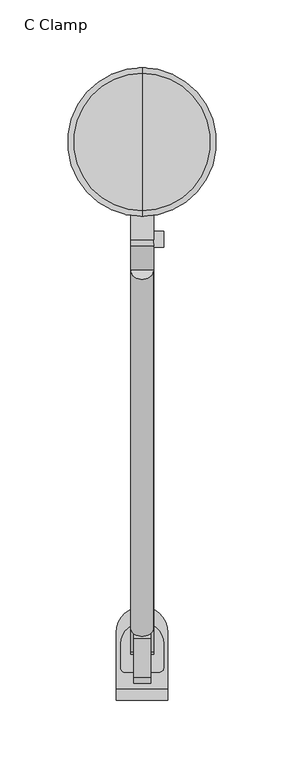
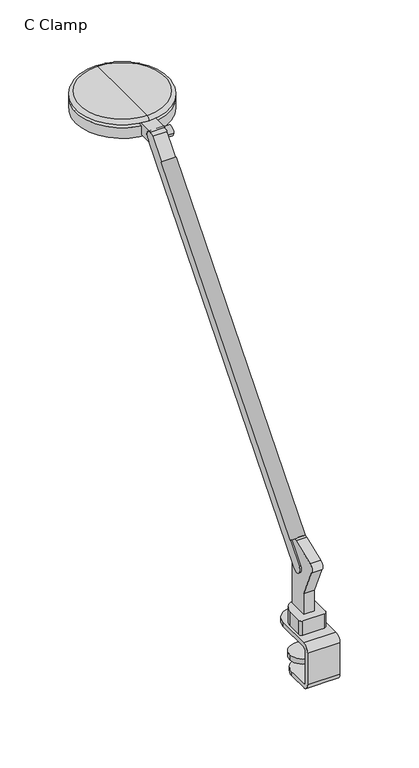
"""IFC4 building model written with IfcOpenShell, lengths in millimetres: furniture geometry, C Clamp."""

from ifc_helpers import new_model, si_unit, point, frame, frame_2d, origin, place, context, project, spatial, polyline, circle_curve, ellipse_curve, trimmed, segment, composite_curve, outline, extrude, source, transform, mapped, element, save
from ifc_brep_helpers import plane_surface, cylinder_surface, revolved_surface, advanced_brep


def c_clamp_36f82f79(model_context):
    return source(origin(), model_context, "Body", "SolidModel", [
        extrude(outline(composite_curve([segment(polyline([(12.4593755, 30.4103576), (-12.8137611, 30.4103576)]), True, "CONTINUOUS"), segment(trimmed(circle_curve(frame_2d((-12.8137611, 33.2175963)), 2.8072387), [point((-12.8137611, 30.4103576))], [point((-15.6209999, 33.2175963))], False, "CARTESIAN"), True, "CONTINUOUS"), segment(polyline([(-15.6209999, 33.2175963), (-15.6209999, 51.2458521)]), True, "CONTINUOUS"), segment(trimmed(circle_curve(frame_2d((0.2032001, 51.2458521)), 15.8241999), [point((-15.6209999, 51.2458521))], [point((16.0274, 51.2458521))], False, "CARTESIAN"), True, "CONTINUOUS"), segment(polyline([(16.0274, 51.2458521), (16.0274, 33.9783821)]), True, "CONTINUOUS"), segment(trimmed(circle_curve(frame_2d((12.4593755, 33.9783821)), 3.5680245), [point((16.0274, 33.9783821))], [point((12.4593755, 30.4103576))], False, "CARTESIAN"), True, "CONTINUOUS")], self_intersect=False)), frame((0.0, 0.0, 733.171), z_axis=(0.0, 0.0, 1.0), x_axis=(1.0, 0.0, 0.0)), (0.0, 0.0, 1.0), 17.78),
        extrude(outline(composite_curve([segment(trimmed(circle_curve(frame_2d((0.0, 161.2861314)), 8.509), [point((8.509, 161.2861314))], [point((-8.509, 161.2861314))], False, "CARTESIAN"), True, "CONTINUOUS"), segment(polyline([(-8.509, 161.2861314), (8.509, 161.2861314)]), True, "CONTINUOUS")], self_intersect=False)), frame((0.0, -59.9275977, 934.0367561), z_axis=(0.0, 0.6453157173859881, 0.7639159802586981), x_axis=(1.0, 0.0, 0.0)), (0.0, 0.0, 1.0), 407.9752226),
        extrude(outline(composite_curve([segment(polyline([(1165.3599936, 383.6426805), (1165.3599936, 349.1496158)]), True, "CONTINUOUS"), segment(trimmed(circle_curve(frame_2d((1158.6105852, 349.1496158)), 6.7494084), [point((1165.3599936, 349.1496158))], [point((1154.3820582, 354.4102311))], True, "CARTESIAN"), True, "CONTINUOUS"), segment(polyline([(1154.3820582, 354.4102311), (1151.5508717, 352.0202702), (1151.5508717, 366.3659959), (1162.4056, 366.3659959), (1162.4056, 381.1636499), (1165.3599936, 383.6426805)]), True, "CONTINUOUS")], self_intersect=False)), frame((8.509, 0.0, 0.0), z_axis=(-1.0, 0.0, 0.0), x_axis=(0.0, 0.0, 1.0)), (0.0, 0.0, 1.0), 17.018),
        extrude(outline(composite_curve([segment(trimmed(circle_curve(frame_2d((0.0, 51.7676781)), 2.5751001), [point((-2.5751001, 51.7676781))], [point((2.5751001, 51.7676781))], False, "CARTESIAN"), True, "CONTINUOUS"), segment(trimmed(circle_curve(frame_2d((0.0, 51.7676781)), 2.5751001), [point((2.5751001, 51.7676781))], [point((-2.5751001, 51.7676781))], False, "CARTESIAN"), True, "CONTINUOUS")], self_intersect=False)), frame((0.0, 0.0, 655.8153), z_axis=(0.0, 0.0, 1.0), x_axis=(1.0, 0.0, 0.0)), (0.0, 0.0, 1.0), 34.4932),
        extrude(outline(composite_curve([segment(trimmed(circle_curve(frame_2d((-0.0907579, 51.9938105)), 15.4973912), [point((-15.5881491, 51.9938105))], [point((15.4066333, 51.9938105))], False, "CARTESIAN"), True, "CONTINUOUS"), segment(trimmed(circle_curve(frame_2d((-0.0907579, 51.9938105)), 15.4973912), [point((15.4066333, 51.9938105))], [point((-15.5881491, 51.9938105))], False, "CARTESIAN"), True, "CONTINUOUS")], self_intersect=False)), frame((0.0, 0.0, 690.3085), z_axis=(0.0, 0.0, 1.0), x_axis=(1.0, 0.0, 0.0)), (0.0, 0.0, 1.0), 6.35),
        extrude(outline(composite_curve([segment(trimmed(circle_curve(frame_2d((349.5772033, 1158.8861373)), 5.8982953), [point((343.678908, 1158.8861373))], [point((355.4754986, 1158.8861373))], False, "CARTESIAN"), True, "CONTINUOUS"), segment(trimmed(circle_curve(frame_2d((349.5772033, 1158.8861373)), 5.8982953), [point((355.4754986, 1158.8861373))], [point((343.678908, 1158.8861373))], False, "CARTESIAN"), True, "CONTINUOUS")], self_intersect=False)), frame((8.509, 0.0, 0.0), z_axis=(1.0, 0.0, 0.0), x_axis=(0.0, 1.0, 0.0)), (0.0, 0.0, 1.0), 7.5184),
        extrude(outline(composite_curve([segment(polyline([(63.6335559, 826.008), (63.6335559, 750.951), (39.5289559, 750.951), (39.5289559, 777.008319), (24.0322898, 811.8144009)]), True, "CONTINUOUS"), segment(trimmed(circle_curve(frame_2d((28.6602337, 816.3670075)), 6.491848), [point((24.0322898, 811.8144009))], [point((26.3337634, 822.4276697))], False, "CARTESIAN"), True, "CONTINUOUS"), segment(polyline([(26.3337634, 822.4276697), (54.9477675, 833.4115568)]), True, "CONTINUOUS"), segment(trimmed(circle_curve(frame_2d((57.2760289, 827.3462287)), 6.4968459), [point((54.9477675, 833.4115568))], [point((63.6335559, 826.008))], False, "CARTESIAN"), True, "CONTINUOUS")], self_intersect=False)), frame((-6.223, 0.0, 0.0), z_axis=(1.0, 0.0, 0.0), x_axis=(0.0, 1.0, 0.0)), (0.0, 0.0, 1.0), 12.446),
        advanced_brep(
        [(19.05, 17.732748, 728.3748908), (19.05, 59.6571684, 728.3748908), (19.05, 59.6571684, 733.171), (19.05, 17.9308539, 733.171), (19.05, 9.8295302, 725.0696764), (19.05, 9.8295302, 685.8086473), (19.05, 17.9407775, 677.6974), (19.05, 39.0547461, 677.6974), (19.05, 41.6530854, 677.6974), (19.05, 41.6530854, 682.4472), (19.05, 39.0547461, 682.4472), (19.05, 17.4799619, 682.4472), (19.05, 14.5793302, 685.3478317), (19.05, 14.5793302, 725.2214729), (-19.05, 17.9308539, 733.171), (-19.05, 59.6571684, 733.171), (-19.05, 59.6571684, 728.3748908), (-19.05, 17.732748, 728.3748908), (-19.05, 14.5793302, 725.2214729), (-19.05, 14.5793302, 685.3478317), (-19.05, 17.4799619, 682.4472), (-19.05, 39.0547461, 682.4472), (-19.05, 41.6530854, 682.4472), (-19.05, 41.6530854, 677.6974), (-19.05, 39.0547461, 677.6974), (-19.05, 17.9407775, 677.6974), (-19.05, 9.8295302, 685.8086473), (-19.05, 9.8295302, 725.0696764), (1.672436, 60.6295302, 682.4472), (-1.672436, 60.6295302, 682.4472), (1.672436, 60.6295302, 677.6974), (-1.672436, 60.6295302, 677.6974)],
        [
            (0, 1),
            (1, 2),
            (2, 3),
            (3, 4, circle_curve(frame((19.05, 17.9308539, 725.0696764), z_axis=(1.0, 0.0, 0.0), x_axis=(0.0, 1.0, 0.0)), 8.1013236)),
            (4, 5),
            (5, 6, circle_curve(frame((19.05, 17.9407775, 685.8086473), z_axis=(1.0, 0.0, 0.0), x_axis=(0.0, 1.0, 0.0)), 8.1112473)),
            (6, 7),
            (7, 8),
            (8, 9),
            (9, 10),
            (10, 11),
            (11, 12, circle_curve(frame((19.05, 17.4799619, 685.3478317), z_axis=(-1.0, 0.0, 0.0), x_axis=(0.0, 1.0, 0.0)), 2.9006317)),
            (12, 13),
            (13, 0, circle_curve(frame((19.05, 17.732748, 725.2214729), z_axis=(-1.0, 0.0, 0.0), x_axis=(0.0, 1.0, 0.0)), 3.1534178)),
            (14, 15),
            (15, 16),
            (16, 17),
            (17, 18, circle_curve(frame((-19.05, 17.732748, 725.2214729), z_axis=(1.0, 0.0, 0.0), x_axis=(0.0, 1.0, 0.0)), 3.1534178)),
            (18, 19),
            (19, 20, circle_curve(frame((-19.05, 17.4799619, 685.3478317), z_axis=(1.0, 0.0, 0.0), x_axis=(0.0, 1.0, 0.0)), 2.9006317)),
            (20, 21),
            (21, 22),
            (22, 23),
            (23, 24),
            (24, 25),
            (25, 26, circle_curve(frame((-19.05, 17.9407775, 685.8086473), z_axis=(-1.0, 0.0, 0.0), x_axis=(0.0, 1.0, 0.0)), 8.1112473)),
            (26, 27),
            (27, 14, circle_curve(frame((-19.05, 17.9308539, 725.0696764), z_axis=(-1.0, 0.0, 0.0), x_axis=(0.0, 1.0, 0.0)), 8.1013236)),
            (16, 1, circle_curve(frame((0.0, 59.6571684, 728.3748908), z_axis=(0.0, 0.0, -1.0), x_axis=(1.0, 0.0, 0.0)), 19.05)),
            (0, 17),
            (13, 18),
            (12, 19),
            (11, 20),
            (9, 28, circle_curve(frame((0.0, 41.6530854, 682.4472), z_axis=(0.0, 0.0, 1.0), x_axis=(1.0, 0.0, 0.0)), 19.05)),
            (28, 29),
            (29, 22, circle_curve(frame((0.0, 41.6530854, 682.4472), z_axis=(0.0, 0.0, 1.0), x_axis=(1.0, 0.0, 0.0)), 19.05)),
            (28, 30),
            (30, 31),
            (31, 29),
            (23, 31, circle_curve(frame((0.0, 41.6530854, 677.6974), z_axis=(0.0, 0.0, -1.0), x_axis=(1.0, 0.0, 0.0)), 19.05)),
            (30, 8, circle_curve(frame((0.0, 41.6530854, 677.6974), z_axis=(0.0, 0.0, -1.0), x_axis=(1.0, 0.0, 0.0)), 19.05)),
            (6, 25),
            (5, 26),
            (4, 27),
            (3, 14),
            (2, 15, circle_curve(frame((0.0, 59.6571684, 733.171), z_axis=(0.0, 0.0, 1.0), x_axis=(1.0, 0.0, 0.0)), 19.05)),
        ],
        [
            plane_surface(frame((19.05, 78.7143302, 728.3748908), z_axis=(1.0, 0.0, 0.0), x_axis=(0.0, -1.0, 0.0))),
            plane_surface(frame((-19.05, 78.7143302, 728.3748908), z_axis=(-1.0, 0.0, 0.0), x_axis=(0.0, 1.0, 0.0))),
            plane_surface(frame((19.05, 78.7143302, 728.3748908), z_axis=(0.0, 0.0, -1.0), x_axis=(-1.0, 0.0, 0.0))),
            revolved_surface(polyline([(-19.05, 20.8861658, 725.2214729), (19.05, 20.8861658, 725.2214729)]), (-19.05, 17.732748, 725.2214729), (-1.0, 0.0, 0.0)),
            plane_surface(frame((19.05, 14.5793302, 725.2214729), z_axis=(0.0, 1.0, 0.0), x_axis=(-1.0, 0.0, 0.0))),
            revolved_surface(polyline([(-19.05, 20.380593599999997, 685.3478317), (19.05, 20.380593599999997, 685.3478317)]), (-19.05, 17.4799619, 685.3478317), (-1.0, 0.0, 0.0)),
            plane_surface(frame((19.05, 17.4799619, 682.4472), z_axis=(0.0, 0.0, 1.0), x_axis=(-1.0, 0.0, 0.0))),
            plane_surface(frame((19.05, 60.6295302, 682.4472), z_axis=(0.0, 1.0, 0.0), x_axis=(-1.0, 0.0, 0.0))),
            plane_surface(frame((19.05, 60.6295302, 677.6974), z_axis=(0.0, 0.0, -1.0), x_axis=(-1.0, 0.0, 0.0))),
            cylinder_surface(frame((-19.05, 17.9407775, 685.8086473), z_axis=(1.0, 0.0, 0.0), x_axis=(0.0, 1.0, 0.0)), 8.1112473),
            plane_surface(frame((19.05, 9.8295302, 685.8086473), z_axis=(0.0, -1.0, 0.0), x_axis=(-1.0, 0.0, 0.0))),
            cylinder_surface(frame((-19.05, 17.9308539, 725.0696764), z_axis=(1.0, 0.0, 0.0), x_axis=(0.0, 1.0, 0.0)), 8.1013236),
            plane_surface(frame((19.05, 17.9308539, 733.171), z_axis=(0.0, 0.0, 1.0), x_axis=(-1.0, 0.0, 0.0))),
            cylinder_surface(frame((0.0, 59.6571684, 763.2396128), z_axis=(0.0, 0.0, 1.0), x_axis=(1.0, 0.0, 0.0)), 19.05),
            cylinder_surface(frame((0.0, 41.6530854, 673.1762), z_axis=(0.0, 0.0, -1.0), x_axis=(1.0, 0.0, 0.0)), 19.05),
        ],
        [
            (0, [[1, 2, 3, 4, 5, 6, 7, 8, 9, 10, 11, 12, 13, 14]]),
            (1, [[15, 16, 17, 18, 19, 20, 21, 22, 23, 24, 25, 26, 27, 28]]),
            (2, [[-17, 29, -1, 30]]),
            (3, [[31, -18, -30, -14]]),
            (4, [[32, -19, -31, -13]]),
            (5, [[33, -20, -32, -12]]),
            (6, [[-11, -10, 34, 35, 36, -22, -21, -33]]),
            (7, [[37, 38, 39, -35]]),
            (8, [[-25, -24, 40, -38, 41, -8, -7, 42]]),
            (9, [[43, -26, -42, -6]]),
            (10, [[44, -27, -43, -5]]),
            (11, [[45, -28, -44, -4]]),
            (12, [[-3, 46, -15, -45]]),
            (13, [[-29, -16, -46, -2]]),
            (14, [[-36, -39, -40, -23]]),
            (14, [[-41, -37, -34, -9]]),
        ],
    ),
        advanced_brep(
        [(0.0, 366.3659959, 1166.2156), (0.0, 370.4220506, 1170.0256), (0.0, 471.7839412, 1170.0256), (0.0, 475.8399959, 1166.2156), (0.0, 384.354515, 1166.2156), (0.0, 457.8514768, 1166.2156), (0.0, 381.6867242, 1162.4056), (0.0, 460.5192676, 1162.4056), (0.0, 366.3659959, 1162.4056), (0.0, 475.8399959, 1162.4056), (0.0, 366.3659959, 1149.0706), (0.0, 475.8399959, 1149.0706), (0.0, 421.1029959, 1149.0706), (0.0, 421.1029959, 1170.0256)],
        [
            (0, 1, circle_curve(frame((0.0, 370.4220506, 1165.9616), z_axis=(-1.0, 0.0, 0.0), x_axis=(0.0, -1.0, 0.0)), 4.064)),
            (1, 2, circle_curve(frame((0.0, 421.1029959, 1170.0256), z_axis=(0.0, 0.0, -1.0), x_axis=(0.0, 1.0, 0.0)), 50.6809453)),
            (2, 3, circle_curve(frame((0.0, 471.7839412, 1165.9616), z_axis=(-1.0, 0.0, 0.0), x_axis=(0.0, 1.0, 0.0)), 4.064)),
            (3, 0, circle_curve(frame((0.0, 421.1029959, 1166.2156), z_axis=(0.0, 0.0, 1.0), x_axis=(0.0, 1.0, 0.0)), 54.737)),
            (2, 1, circle_curve(frame((0.0, 421.1029959, 1170.0256), z_axis=(0.0, 0.0, -1.0), x_axis=(0.0, 1.0, 0.0)), 50.6809453)),
            (0, 3, circle_curve(frame((0.0, 421.1029959, 1166.2156), z_axis=(0.0, 0.0, 1.0), x_axis=(0.0, 1.0, 0.0)), 54.737)),
            (4, 0),
            (3, 5),
            (5, 4, circle_curve(frame((0.0, 421.1029959, 1166.2156), z_axis=(0.0, 0.0, 1.0), x_axis=(0.0, 1.0, 0.0)), 36.7484809)),
            (4, 5, circle_curve(frame((0.0, 421.1029959, 1166.2156), z_axis=(0.0, 0.0, 1.0), x_axis=(0.0, 1.0, 0.0)), 36.7484809)),
            (6, 4),
            (5, 7),
            (7, 6, circle_curve(frame((0.0, 421.1029959, 1162.4056), z_axis=(0.0, 0.0, 1.0), x_axis=(0.0, 1.0, 0.0)), 39.4162717)),
            (6, 7, circle_curve(frame((0.0, 421.1029959, 1162.4056), z_axis=(0.0, 0.0, 1.0), x_axis=(0.0, 1.0, 0.0)), 39.4162717)),
            (8, 6),
            (7, 9),
            (9, 8, circle_curve(frame((0.0, 421.1029959, 1162.4056), z_axis=(0.0, 0.0, 1.0), x_axis=(0.0, 1.0, 0.0)), 54.737)),
            (8, 9, circle_curve(frame((0.0, 421.1029959, 1162.4056), z_axis=(0.0, 0.0, 1.0), x_axis=(0.0, 1.0, 0.0)), 54.737)),
            (10, 8),
            (9, 11),
            (11, 10, circle_curve(frame((0.0, 421.1029959, 1149.0706), z_axis=(0.0, 0.0, 1.0), x_axis=(0.0, 1.0, 0.0)), 54.737)),
            (10, 11, circle_curve(frame((0.0, 421.1029959, 1149.0706), z_axis=(0.0, 0.0, 1.0), x_axis=(0.0, 1.0, 0.0)), 54.737)),
            (12, 10),
            (11, 12),
            (1, 13),
            (13, 2),
        ],
        [
            revolved_surface(trimmed(ellipse_curve(frame((0.0, 471.7839412, 1165.9616), z_axis=(-1.0, 0.0, 0.0), x_axis=(0.0, 1.0, 0.0)), 4.064, 4.064), [point((0.0, 471.7839412, 1170.0256))], [point((0.0, 475.8399959, 1166.2156))], True, "CARTESIAN"), (0.0, 421.1029959, 1170.0256), (0.0, 0.0, -1.0)),
            plane_surface(frame((0.0, 421.1029959, 1166.2156), z_axis=(0.0, 0.0, -1.0), x_axis=(0.0, 1.0, 0.0))),
            revolved_surface(polyline([(0.0, 457.8514768, 1166.2156), (0.0, 460.5192676, 1162.4056)]), (0.0, 421.1029959, 1170.0256), (0.0, 0.0, -1.0)),
            plane_surface(frame((0.0, 421.1029959, 1162.4056), z_axis=(0.0, 0.0, 1.0), x_axis=(0.0, 1.0, 0.0))),
            cylinder_surface(frame((0.0, 421.1029959, 1170.0256), z_axis=(0.0, 0.0, -1.0), x_axis=(0.0, 1.0, 0.0)), 54.737),
            plane_surface(frame((0.0, 421.1029959, 1149.0706), z_axis=(0.0, 0.0, -1.0), x_axis=(0.0, 1.0, 0.0))),
            plane_surface(frame((0.0, 421.1029959, 1170.0256), z_axis=(0.0, 0.0, 1.0), x_axis=(0.0, 1.0, 0.0))),
        ],
        [
            (0, [[1, 2, 3, 4]]),
            (0, [[-3, 5, -1, 6]]),
            (1, [[7, -4, 8, 9]]),
            (1, [[-8, -6, -7, 10]]),
            (2, [[11, -9, 12, 13]]),
            (2, [[-12, -10, -11, 14]]),
            (3, [[15, -13, 16, 17]]),
            (3, [[-16, -14, -15, 18]]),
            (4, [[19, -17, 20, 21]]),
            (4, [[-20, -18, -19, 22]]),
            (5, [[23, -21, 24]]),
            (5, [[-24, -22, -23]]),
            (6, [[25, 26, -2]]),
            (6, [[-26, -25, -5]]),
        ],
    ),
        extrude(outline(composite_curve([segment(polyline([(45.3086429, 808.6803092), (344.4466482, 1162.7958164)]), True, "CONTINUOUS"), segment(trimmed(circle_curve(frame_2d((349.4277131, 1158.5880769)), 6.5204355), [point((344.4466482, 1162.7958164))], [point((354.4102311, 1154.3820582))], False, "CARTESIAN"), True, "CONTINUOUS"), segment(polyline([(354.4102311, 1154.3820582), (55.394567, 800.16324)]), True, "CONTINUOUS"), segment(trimmed(circle_curve(frame_2d((50.3508694, 804.4209036)), 6.6004988), [point((55.394567, 800.16324))], [point((45.3086429, 808.6803092))], False, "CARTESIAN"), True, "CONTINUOUS")], self_intersect=False)), frame((-8.509, 0.0, 0.0), z_axis=(1.0, 0.0, 0.0), x_axis=(0.0, 1.0, 0.0)), (0.0, 0.0, 1.0), 17.018),
    ])


if __name__ == "__main__":
    model = new_model("IFC4")
    model_context = context("Model", 3, world=origin())
    ifc_project = project(units=[si_unit("LENGTHUNIT", "METRE", prefix="MILLI")], contexts=[model_context])
    site = spatial("IfcSite", under=ifc_project)
    building = spatial("IfcBuilding", under=site)
    placement = place(None, origin())
    c_clamp_shape = c_clamp_36f82f79(model_context)
    element("IfcFurniture", 1, ObjectType="C Clamp", at=placement, inside=building, context=model_context, shape_type="MappedRepresentation", body=[
        mapped(c_clamp_shape, transform((0.0, 0.0, 0.0), x_axis=(1.0, 0.0, 0.0), y_axis=(0.0, 1.0, 0.0), z_axis=(0.0, 0.0, 1.0))),
    ])
    save(model, "model.ifc")
